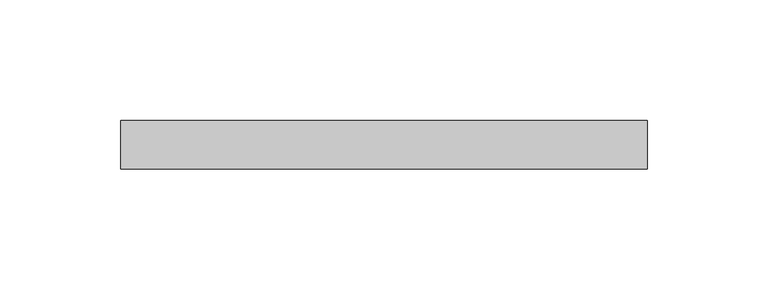
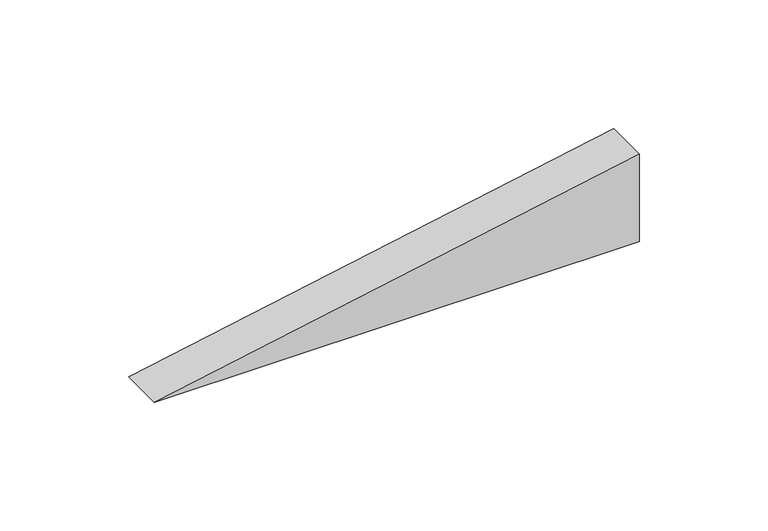
"""IFC4 building model written with IfcOpenShell, lengths in millimetres: plate geometry."""

from ifc_helpers import new_model, si_unit, frame, origin, place, context, project, spatial, polyline, outline, extrude, source, transform, mapped, element, save


def plate_ed4907db(model_context):
    return source(origin(), model_context, "Body", "SweptSolid", [
        extrude(outline(polyline([(0.0, -108.8327336), (0.0, 108.8327336), (41.6403502, 108.8327336), (0.0, -108.8327336)])), frame((0.0, 20.0, 0.0), z_axis=(0.0, 1.0, 0.0), x_axis=(0.0, 0.0, 1.0)), (0.0, 0.0, 1.0), 20.0),
    ])


if __name__ == "__main__":
    model = new_model("IFC4")
    model_context = context("Model", 3, world=origin())
    ifc_project = project(units=[si_unit("LENGTHUNIT", "METRE", prefix="MILLI")], contexts=[model_context])
    site = spatial("IfcSite", under=ifc_project)
    building = spatial("IfcBuilding", under=site)
    placement = place(None, origin())
    plate_shape = plate_ed4907db(model_context)
    element("IfcPlate", 1, at=placement, inside=building, context=model_context, shape_type="MappedRepresentation", body=[
        mapped(plate_shape, transform((0.0, 0.0, 0.0), x_axis=(1.0, 0.0, 0.0), y_axis=(0.0, 1.0, 0.0), z_axis=(0.0, 0.0, 1.0))),
    ])
    save(model, "model.ifc")
